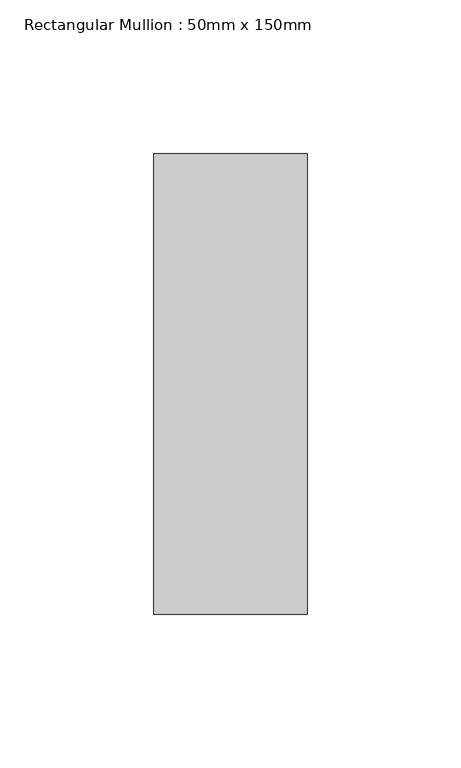
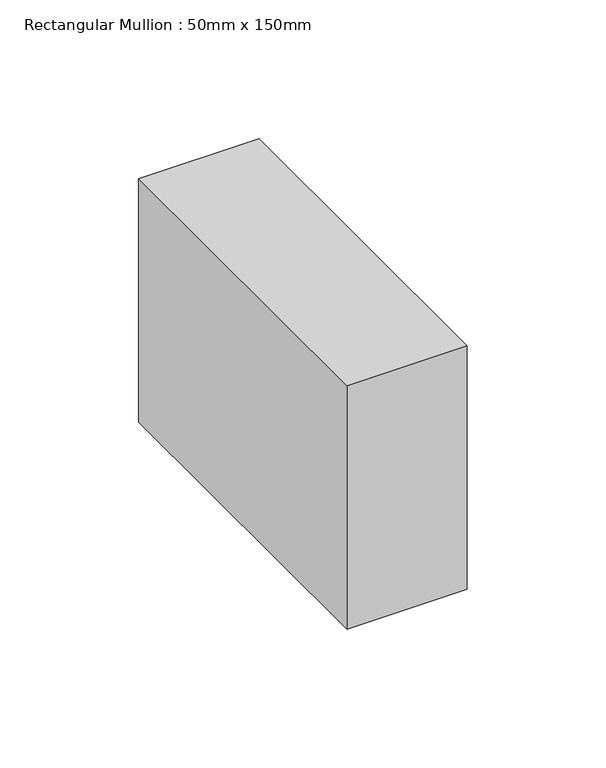
"""IFC4 building model written with IfcOpenShell, lengths in millimetres: member geometry, Rectangular Mullion : 50mm x 150mm."""

from ifc_helpers import new_model, si_unit, frame, origin, place, context, project, spatial, polyline, outline, extrude, source, transform, mapped, element, save


def rectangular_mullion_50mm_x_150mm_ec5f1f86(model_context):
    return source(origin(), model_context, "Body", "SweptSolid", [
        extrude(outline(polyline([(25.0, 75.0), (25.0, -75.0), (-25.0, -75.0), (-25.0, 75.0), (25.0, 75.0)])), frame((0.0, 0.0, -107.1143704), z_axis=(0.0, 0.0, 1.0), x_axis=(1.0, 0.0, 0.0)), (0.0, 0.0, 1.0), 107.1143704),
    ])


if __name__ == "__main__":
    model = new_model("IFC4")
    model_context = context("Model", 3, world=origin())
    ifc_project = project(units=[si_unit("LENGTHUNIT", "METRE", prefix="MILLI")], contexts=[model_context])
    site = spatial("IfcSite", under=ifc_project)
    building = spatial("IfcBuilding", under=site)
    placement = place(None, origin())
    rectangular_mullion_50mm_x_150mm_shape = rectangular_mullion_50mm_x_150mm_ec5f1f86(model_context)
    element("IfcMember", 1, ObjectType="Rectangular Mullion : 50mm x 150mm", at=placement, inside=building, context=model_context, shape_type="MappedRepresentation", body=[
        mapped(rectangular_mullion_50mm_x_150mm_shape, transform((0.0, 0.0, 0.0), x_axis=(1.0, 0.0, 0.0), y_axis=(0.0, 1.0, 0.0), z_axis=(0.0, 0.0, 1.0))),
    ])
    save(model, "model.ifc")
